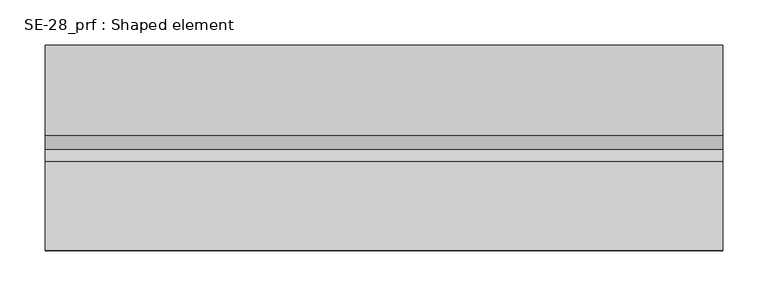
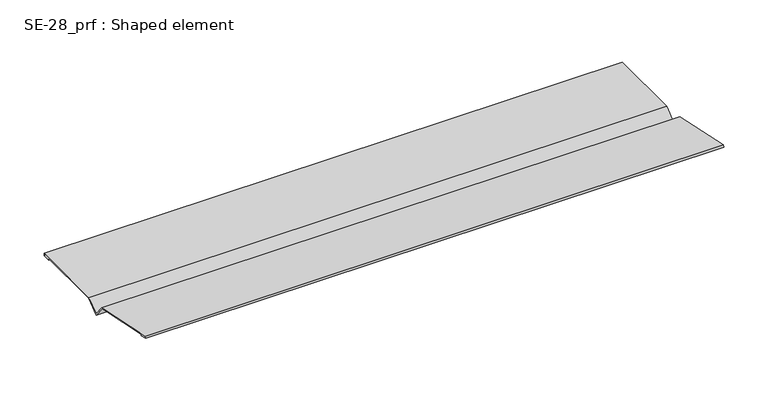
"""IFC4 building model written with IfcOpenShell, lengths in millimetres: proxy geometry, SE-28_prf : Shaped element."""

from ifc_helpers import new_model, si_unit, frame, origin, place, context, project, spatial, polyline, outline, extrude, source, transform, mapped, element, save


def se_28_prf_shaped_element_24e38d4b(model_context):
    return source(origin(), model_context, "Body", "SweptSolid", [
        extrude(outline(polyline([(115.4536785, 5.0390189), (115.4536785, 2.0390189), (105.4536785, 2.0390189), (105.4536785, 3.0390189), (114.4536785, 3.0390189), (114.4536785, 4.0390189), (15.8077971, 4.0390189), (-0.5122681, -9.1767093), (-13.9959162, 7.4742094), (-110.4861484, 27.9838414), (-110.6940601, 27.0056938), (-101.8907317, 25.1344886), (-102.0986434, 24.156341), (-111.8801194, 26.2354579), (-111.2563844, 29.1699007), (-13.4416243, 8.3787316), (-0.3644425, -7.7702429), (15.4536785, 5.0390189), (115.4536785, 5.0390189)])), frame((0.0, 0.0, 0.0), z_axis=(1.0, 0.0, 0.0), x_axis=(0.0, 1.0, 0.0)), (0.0, 0.0, 1.0), 750.0),
    ])


if __name__ == "__main__":
    model = new_model("IFC4")
    model_context = context("Model", 3, world=origin())
    ifc_project = project(units=[si_unit("LENGTHUNIT", "METRE", prefix="MILLI")], contexts=[model_context])
    site = spatial("IfcSite", under=ifc_project)
    building = spatial("IfcBuilding", under=site)
    placement = place(None, origin())
    se_28_prf_shaped_element_shape = se_28_prf_shaped_element_24e38d4b(model_context)
    element("IfcBuildingElementProxy", 1, Name="SE-28_prf : Shaped element", ObjectType="SE-28_prf : Shaped element", at=placement, inside=building, context=model_context, shape_type="MappedRepresentation", body=[
        mapped(se_28_prf_shaped_element_shape, transform((0.0, 0.0, 0.0), x_axis=(1.0, 0.0, 0.0), y_axis=(0.0, 1.0, 0.0), z_axis=(0.0, 0.0, 1.0))),
    ])
    save(model, "model.ifc")
